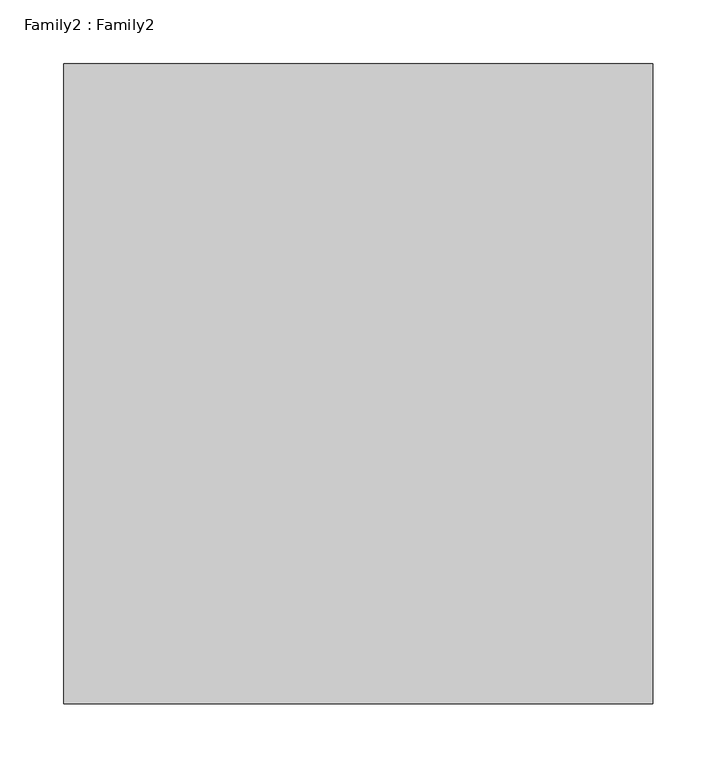
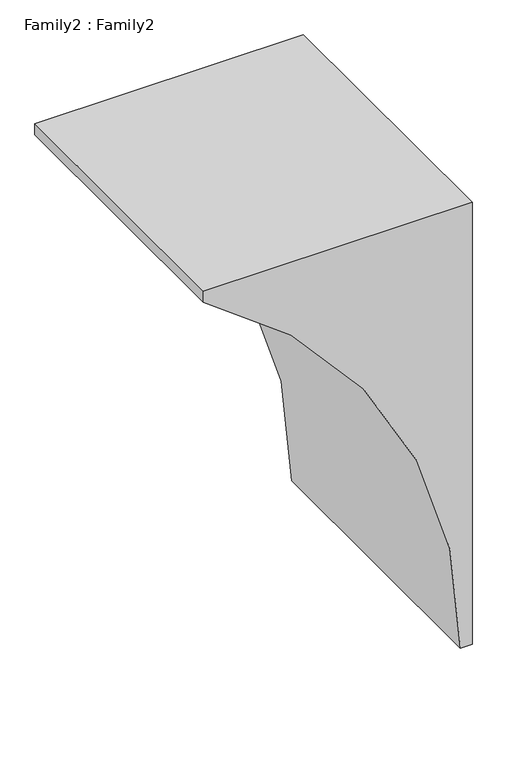
"""IFC4 building model written with IfcOpenShell, lengths in millimetres: furniture geometry, Family2 : Family2."""

import ifcopenshell
import ifcopenshell.guid

model = None  # the IFC model being written
_history = None  # IfcOwnerHistory: only IFC2X3 demands one
_inside = {}  # id of a spatial element -> (the spatial element, [elements in it])
_under = {}  # id of a project, library or spatial element -> (it, [spatial elements below it])
_declared = {}  # id of a project -> (the project, [libraries it declares])
_typed = {}  # id of a type object -> (the type object, [elements of that type])
_made_of = {}  # id of a material, layer set ... -> (it, [elements and type objects made of it])


def new_model(schema):
    """Start an empty IFC model of exactly this schema.

    Asked for "IFC4X3", IfcOpenShell would pick the latest addendum, in which some entities
    have other attributes; the version numbers below select the first issue.
    IFC2X3 requires an IfcOwnerHistory on every rooted entity: one is made here for all.
    """
    global model, _history
    if schema == "IFC4X3":
        model = ifcopenshell.file(schema_version=(4, 3, 0, 0))
    else:
        model = ifcopenshell.file(schema=schema)
    _inside.clear()
    _under.clear()
    _declared.clear()
    _typed.clear()
    _made_of.clear()
    _history = None
    if model.schema == "IFC2X3":
        org = make("IfcOrganization", Name="unknown")
        user = make(
            "IfcPersonAndOrganization",
            ThePerson=make("IfcPerson", FamilyName="unknown"),
            TheOrganization=org,
        )
        app = make(
            "IfcApplication",
            ApplicationDeveloper=org,
            Version="unknown",
            ApplicationFullName="unknown",
            ApplicationIdentifier="unknown",
        )
        _history = make(
            "IfcOwnerHistory",
            OwningUser=user,
            OwningApplication=app,
            ChangeAction="ADDED",
            CreationDate=0,
        )
    return model


def make(cls, **values):
    """One entity of the class cls with the attributes given. An attribute that is None is left unset."""
    return model.create_entity(
        cls, **{name: value for name, value in values.items() if value is not None}
    )


def rooted(cls, **values):
    """An entity with a GlobalId (a new one), such as an element, a storey or a relation."""
    return make(cls, GlobalId=ifcopenshell.guid.new(), OwnerHistory=_history, **values)


def si_unit(unit_type, name, prefix=None):
    """IfcSIUnit, for example si_unit("LENGTHUNIT", "METRE", prefix="MILLI")."""
    return make("IfcSIUnit", UnitType=unit_type, Prefix=prefix, Name=name)


def assignment(units):
    """IfcUnitAssignment: the units of a project."""
    return None if units is None else make("IfcUnitAssignment", Units=units)


def point(xyz):
    """IfcCartesianPoint."""
    return None if xyz is None else make("IfcCartesianPoint", Coordinates=xyz)


def direction(xyz):
    """IfcDirection."""
    return None if xyz is None else make("IfcDirection", DirectionRatios=xyz)


def frame(location, z_axis=None, x_axis=None):
    """IfcAxis2Placement3D, a coordinate frame: its origin and axes. An axis left out is left unset."""
    return make(
        "IfcAxis2Placement3D",
        Location=point(location),
        Axis=direction(z_axis),
        RefDirection=direction(x_axis),
    )


def frame_2d(location, x_axis=None):
    """IfcAxis2Placement2D, a coordinate frame in the plane: its origin and x axis."""
    return make(
        "IfcAxis2Placement2D", Location=point(location), RefDirection=direction(x_axis)
    )


def origin():
    """The frame at (0, 0, 0) with its axes left unset."""
    return frame((0.0, 0.0, 0.0))


def place(relative_to, where):
    """IfcLocalPlacement: puts the frame where relative to a parent placement (None: the world)."""
    return make(
        "IfcLocalPlacement", PlacementRelTo=relative_to, RelativePlacement=where
    )


def context(
    kind, dimensions, precision=None, world=None, true_north=None, identifier=None
):
    """IfcGeometricRepresentationContext, for example the 3D "Model" context."""
    return make(
        "IfcGeometricRepresentationContext",
        ContextIdentifier=identifier,
        ContextType=kind,
        CoordinateSpaceDimension=dimensions,
        Precision=precision,
        WorldCoordinateSystem=world,
        TrueNorth=true_north,
    )


def project(units=None, contexts=None):
    """IfcProject with its units and contexts."""
    return rooted(
        "IfcProject",
        Name="project",
        RepresentationContexts=contexts,
        UnitsInContext=assignment(units),
    )


def spatial(cls, under=None, at=None, **own):
    """A site, building, storey or space (cls), placed at a placement, below another one or the project."""
    s = rooted(cls, ObjectPlacement=at, **own)
    if under is not None:
        _under.setdefault(under.id(), (under, []))[1].append(s)
    return s


def polyline(points):
    """IfcPolyline through the points."""
    return make("IfcPolyline", Points=[point(p) for p in points])


def circle_curve(where, radius):
    """IfcCircle in the frame where."""
    return make("IfcCircle", Position=where, Radius=radius)


def trimmed(basis, trim1, trim2, sense, master):
    """IfcTrimmedCurve: the piece of a basis curve between two trims."""
    return make(
        "IfcTrimmedCurve",
        BasisCurve=basis,
        Trim1=trim1,
        Trim2=trim2,
        SenseAgreement=sense,
        MasterRepresentation=master,
    )


def segment(curve, same_sense, transition):
    """IfcCompositeCurveSegment."""
    return make(
        "IfcCompositeCurveSegment",
        Transition=transition,
        SameSense=same_sense,
        ParentCurve=curve,
    )


def composite_curve(segments, self_intersect=None):
    """IfcCompositeCurve: segments joined end to end."""
    return make("IfcCompositeCurve", Segments=segments, SelfIntersect=self_intersect)


def outline(outer, holes=None, kind="AREA"):
    """IfcArbitraryClosedProfileDef: a profile drawn as a closed curve; with holes, ...WithVoids."""
    if holes is None:
        return make("IfcArbitraryClosedProfileDef", ProfileType=kind, OuterCurve=outer)
    return make(
        "IfcArbitraryProfileDefWithVoids",
        ProfileType=kind,
        OuterCurve=outer,
        InnerCurves=holes,
    )


def extrude(swept, where, along, depth):
    """IfcExtrudedAreaSolid: the profile swept, set in the frame where, extruded along a direction by depth."""
    return make(
        "IfcExtrudedAreaSolid",
        SweptArea=swept,
        Position=where,
        ExtrudedDirection=direction(along),
        Depth=depth,
    )


def shape(context_of_items, identifier, shape_type, items):
    """IfcShapeRepresentation: the items that make up one representation, for example the "Body"."""
    return make(
        "IfcShapeRepresentation",
        ContextOfItems=context_of_items,
        RepresentationIdentifier=identifier,
        RepresentationType=shape_type,
        Items=items,
    )


def source(mapping_origin, context_of_items, identifier, shape_type, items):
    """IfcRepresentationMap: a shape defined once, which mapped items show again and again."""
    return make(
        "IfcRepresentationMap",
        MappingOrigin=mapping_origin,
        MappedRepresentation=shape(context_of_items, identifier, shape_type, items),
    )


def transform(
    local_origin,
    x_axis=None,
    y_axis=None,
    z_axis=None,
    scale=None,
    scale2=None,
    scale3=None,
    uniform=True,
):
    """IfcCartesianTransformationOperator3D, or its non-uniform kind. x_axis, y_axis, z_axis: its Axis1, 2, 3."""
    if uniform:
        return make(
            "IfcCartesianTransformationOperator3D",
            Axis1=direction(x_axis),
            Axis2=direction(y_axis),
            LocalOrigin=point(local_origin),
            Scale=scale,
            Axis3=direction(z_axis),
        )
    return make(
        "IfcCartesianTransformationOperator3DnonUniform",
        Axis1=direction(x_axis),
        Axis2=direction(y_axis),
        LocalOrigin=point(local_origin),
        Scale=scale,
        Axis3=direction(z_axis),
        Scale2=scale2,
        Scale3=scale3,
    )


def mapped(mapping_source, mapping_target):
    """IfcMappedItem: shows the shape of a source again, moved by a transform."""
    return make(
        "IfcMappedItem", MappingSource=mapping_source, MappingTarget=mapping_target
    )


def made_of(thing, what):
    """Note that an element or type object is made of a material, layer set ...; save() writes the relation."""
    if what is not None:
        _made_of.setdefault(what.id(), (what, []))[1].append(thing)
    return thing


def element(
    cls,
    number,
    at=None,
    inside=None,
    cuts=None,
    type_object=None,
    material=None,
    context=None,
    identifier="Body",
    shape_type=None,
    held_by="IfcProductDefinitionShape",
    body=None,
    shapes=None,
    **own,
):
    """One element of the class cls, such as IfcWall. Its Tag is "e" and its number.

    at: its placement. inside: the storey or other place that contains it. cuts: it is an
    opening in that element (IfcRelVoidsElement). A single representation is given by context,
    identifier, shape_type and body (its items); several are given by shapes. held_by: the class
    of the entity that holds the representations. save() writes the other relations.
    """
    e = rooted(cls, Tag="e%d" % number, ObjectPlacement=at, **own)
    if body is not None:
        shapes = [shape(context, identifier, shape_type, body)]
    if shapes is not None:
        e.Representation = make(held_by, Representations=shapes)
    if inside is not None:
        _inside.setdefault(inside.id(), (inside, []))[1].append(e)
    if cuts is not None:
        rooted(
            "IfcRelVoidsElement", RelatingBuildingElement=cuts, RelatedOpeningElement=e
        )
    if type_object is not None:
        _typed.setdefault(type_object.id(), (type_object, []))[1].append(e)
    return made_of(e, material)


def aggregate(whole, parts):
    """IfcRelAggregates: a whole, such as a stair, and the parts it consists of."""
    return rooted("IfcRelAggregates", RelatingObject=whole, RelatedObjects=parts)


def save(model, path):
    """Write the relations noted so far, then the file.

    IfcRelAggregates (storeys below a building ...), IfcRelContainedInSpatialStructure (elements
    in a storey), IfcRelDefinesByType, IfcRelAssociatesMaterial and IfcRelDeclares: one each for
    every whole, place, type object, material and project.
    """
    for whole, parts in _under.values():
        aggregate(whole, parts)
    for where, things in _inside.values():
        rooted(
            "IfcRelContainedInSpatialStructure",
            RelatedElements=things,
            RelatingStructure=where,
        )
    for kind, things in _typed.values():
        rooted("IfcRelDefinesByType", RelatedObjects=things, RelatingType=kind)
    for what, things in _made_of.values():
        rooted("IfcRelAssociatesMaterial", RelatedObjects=things, RelatingMaterial=what)
    for by, libraries in _declared.values():
        rooted("IfcRelDeclares", RelatingContext=by, RelatedDefinitions=libraries)
    model.write(path)


def family2_family2_c1c36298(model_context):
    return source(origin(), model_context, "Body", "SweptSolid", [
        extrude(outline(composite_curve([segment(polyline([(860.9818955, 460.0), (860.9818955, 0.0), (840.9818955, 0.0)]), True, "CONTINUOUS"), segment(trimmed(circle_curve(frame_2d((67.9128271, -459.0769849)), 899.1036996), [point((840.9818955, 0.0))], [point((60.9818955, 440.0))], True, "CARTESIAN"), True, "CONTINUOUS"), segment(polyline([(60.9818955, 440.0), (60.9818955, 460.0), (860.9818955, 460.0)]), True, "CONTINUOUS")], self_intersect=False)), frame((0.0, -500.0, 0.0), z_axis=(0.0, 1.0, 0.0), x_axis=(0.0, 0.0, 1.0)), (0.0, 0.0, 1.0), 500.0),
    ])


if __name__ == "__main__":
    model = new_model("IFC4")
    model_context = context("Model", 3, world=origin())
    ifc_project = project(units=[si_unit("LENGTHUNIT", "METRE", prefix="MILLI")], contexts=[model_context])
    site = spatial("IfcSite", under=ifc_project)
    building = spatial("IfcBuilding", under=site)
    placement = place(None, origin())
    family2_family2_shape = family2_family2_c1c36298(model_context)
    element("IfcFurniture", 1, ObjectType="Family2 : Family2", at=placement, inside=building, context=model_context, shape_type="MappedRepresentation", body=[
        mapped(family2_family2_shape, transform((0.0, 0.0, 0.0), x_axis=(1.0, 0.0, 0.0), y_axis=(0.0, 1.0, 0.0), z_axis=(0.0, 0.0, 1.0))),
    ])
    save(model, "model.ifc")
